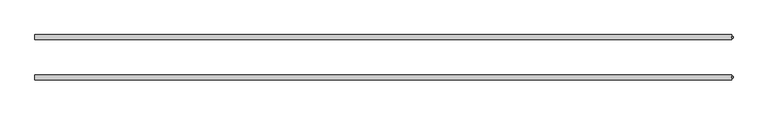
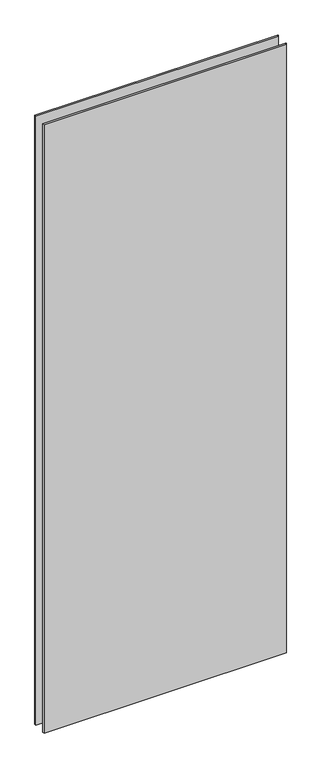
"""IFC4 building model written with IfcOpenShell, lengths in millimetres: plate geometry."""

from ifc_helpers import new_model, si_unit, origin, origin_with_axes, place, context, project, spatial, polyline, outline, extrude, source, transform, mapped, element, save


def plate_5d5eb41c(model_context):
    return source(origin(), model_context, "Body", "SweptSolid", [
        extrude(outline(polyline([(549.1249999, 32.7), (551.1249999, 32.7), (551.1249999, 30.7), (549.1249999, 30.7), (549.1249999, 32.7)])), origin_with_axes(), (0.0, 0.0, 1.0), 2915.0),
        extrude(outline(polyline([(551.1249999, -30.7), (551.1249999, -32.7), (549.1249999, -32.7), (549.1249999, -30.7), (551.1249999, -30.7)])), origin_with_axes(), (0.0, 0.0, 1.0), 2915.0),
        extrude(outline(polyline([(549.1249999, 27.7), (-551.1249999, 27.7), (-551.1249999, 35.7), (549.1249999, 35.7), (549.1249999, 27.7)])), origin_with_axes(), (0.0, 0.0, 1.0), 2915.0),
        extrude(outline(polyline([(-551.1249999, -35.7), (-551.1249999, -27.7), (549.1249999, -27.7), (549.1249999, -35.7), (-551.1249999, -35.7)])), origin_with_axes(), (0.0, 0.0, 1.0), 2915.0),
    ])


if __name__ == "__main__":
    model = new_model("IFC4")
    model_context = context("Model", 3, world=origin())
    ifc_project = project(units=[si_unit("LENGTHUNIT", "METRE", prefix="MILLI")], contexts=[model_context])
    site = spatial("IfcSite", under=ifc_project)
    building = spatial("IfcBuilding", under=site)
    placement = place(None, origin())
    plate_shape = plate_5d5eb41c(model_context)
    element("IfcPlate", 1, at=placement, inside=building, context=model_context, shape_type="MappedRepresentation", body=[
        mapped(plate_shape, transform((0.0, 0.0, 0.0), x_axis=(1.0, 0.0, 0.0), y_axis=(0.0, 1.0, 0.0), z_axis=(0.0, 0.0, 1.0))),
    ])
    save(model, "model.ifc")
